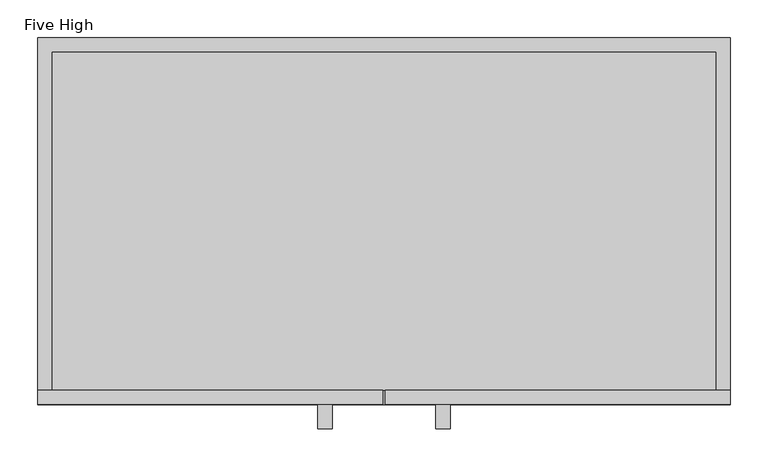
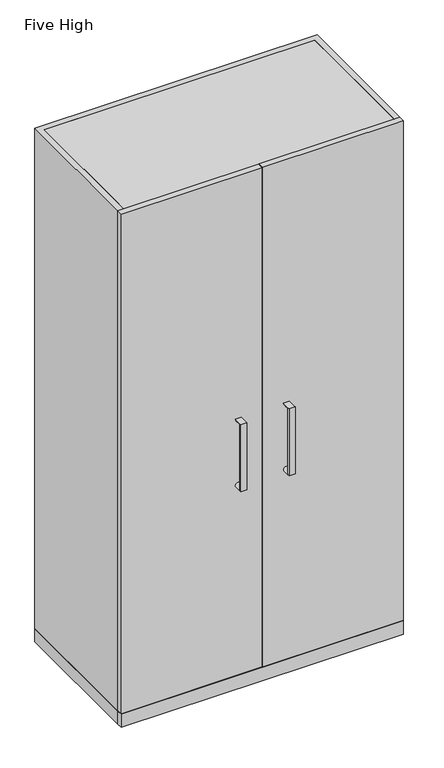
"""IFC4 building model written with IfcOpenShell, lengths in millimetres: furniture geometry, Five High."""

from ifc_helpers import new_model, si_unit, frame, origin, origin_with_axes, place, context, project, spatial, polyline, circle_curve, outline, extrude, source, transform, mapped, element, save
from ifc_brep_helpers import plane_surface, cylinder_surface, advanced_brep


def five_high_3fd35b40(model_context):
    return source(origin(), model_context, "Body", "SolidModel", [
        advanced_brep(
        [(166.6875, -482.6, 923.925), (147.6375, -482.6, 923.925), (166.6875, -508.0000121, 923.925), (147.6375, -508.0000121, 923.925), (166.6875, -482.6, 695.325), (147.6375, -482.6, 695.325), (147.6375, -508.0000121, 695.325), (166.6875, -508.0000121, 695.325), (147.6375, -514.3499879, 695.325), (166.6875, -514.3499879, 695.325), (166.6875, -514.3499879, 923.925), (147.6375, -514.3499879, 923.925)],
        [
            (0, 1, circle_curve(frame((157.1625, -482.6, 923.925), z_axis=(0.0, 1.0, 0.0), x_axis=(0.0, 0.0, -1.0)), 9.525)),
            (1, 0),
            (0, 2),
            (2, 3, circle_curve(frame((157.1625, -508.0000121, 923.925), z_axis=(0.0, 1.0, 0.0), x_axis=(0.0, 0.0, -1.0)), 9.525)),
            (3, 1),
            (4, 5),
            (5, 4, circle_curve(frame((157.1625, -482.6, 695.325), z_axis=(0.0, 1.0, 0.0), x_axis=(0.0, 0.0, 1.0)), 9.525)),
            (5, 6),
            (6, 7, circle_curve(frame((157.1625, -508.0000121, 695.325), z_axis=(0.0, 1.0, 0.0), x_axis=(0.0, 0.0, 1.0)), 9.525)),
            (7, 4),
            (8, 9),
            (9, 10),
            (10, 11),
            (11, 8),
            (6, 3),
            (2, 7),
            (11, 3),
            (6, 8),
            (10, 2),
            (9, 7),
        ],
        [
            plane_surface(frame((157.1625, -482.6, 914.4), z_axis=(0.0, 1.0, 0.0), x_axis=(1.0, 0.0, 0.0))),
            cylinder_surface(frame((157.1625, -482.6, 923.925), z_axis=(0.0, -1.0, 0.0), x_axis=(0.0, 0.0, -1.0)), 9.525),
            plane_surface(frame((147.6375, -482.6, 695.325), z_axis=(0.0, 1.0, 0.0), x_axis=(1.0, 0.0, 0.0))),
            cylinder_surface(frame((157.1625, -482.6, 695.325), z_axis=(0.0, -1.0, 0.0), x_axis=(0.0, 0.0, 1.0)), 9.525),
            plane_surface(frame((147.6375, -514.3499879, 1012.825), z_axis=(0.0, -1.0, 0.0), x_axis=(0.0, 0.0, 1.0))),
            plane_surface(frame((147.6375, -508.0000121, 1012.825), z_axis=(0.0, 1.0, 0.0), x_axis=(0.0, 0.0, -1.0))),
            plane_surface(frame((147.6375, -514.3499879, 695.325), z_axis=(-1.0, 0.0, 0.0), x_axis=(0.0, 1.0, 0.0))),
            plane_surface(frame((147.6375, -514.3499879, 923.925), z_axis=(0.0, 0.0, 1.0), x_axis=(0.0, 1.0, 0.0))),
            plane_surface(frame((166.6875, -514.3499879, 923.925), z_axis=(1.0, 0.0, 0.0), x_axis=(0.0, 1.0, 0.0))),
            plane_surface(frame((166.6875, -514.3499879, 695.325), z_axis=(0.0, 0.0, -1.0), x_axis=(0.0, 1.0, 0.0))),
        ],
        [
            (0, [[1, 2]]),
            (1, [[3, 4, 5, -1]]),
            (2, [[6, 7]]),
            (3, [[8, 9, 10, -7]]),
            (4, [[11, 12, 13, 14]]),
            (5, [[-9, 15, -4, 16]]),
            (6, [[17, -15, 18, -14]]),
            (7, [[19, -3, -2, -5, -17, -13]]),
            (8, [[20, -16, -19, -12]]),
            (9, [[-18, -8, -6, -10, -20, -11]]),
        ],
    ),
        extrude(outline(polyline([(80.9625, -482.6), (80.9625, -463.55), (534.9875, -463.55), (534.9875, -482.6), (80.9625, -482.6)])), frame((0.0, 0.0, 47.625), z_axis=(0.0, 0.0, 1.0), x_axis=(1.0, 0.0, 0.0)), (0.0, 0.0, 1.0), 1704.975),
        advanced_brep(
        [(-7.9375, -482.6, 923.925), (11.1125, -482.6, 923.925), (11.1125, -508.0000121, 923.925), (-7.9375, -508.0000121, 923.925), (-7.9375, -482.6, 695.325), (11.1125, -482.6, 695.325), (-7.9375, -508.0000121, 695.325), (11.1125, -508.0000121, 695.325), (11.1125, -514.3499879, 695.325), (11.1125, -514.3499879, 923.925), (-7.9375, -514.3499879, 923.925), (-7.9375, -514.3499879, 695.325)],
        [
            (0, 1),
            (1, 0, circle_curve(frame((1.5875, -482.6, 923.925), z_axis=(0.0, 1.0, 0.0), x_axis=(0.0, 0.0, -1.0)), 9.525)),
            (1, 2),
            (2, 3, circle_curve(frame((1.5875, -508.0000121, 923.925), z_axis=(0.0, 1.0, 0.0), x_axis=(0.0, 0.0, -1.0)), 9.525)),
            (3, 0),
            (4, 5, circle_curve(frame((1.5875, -482.6, 695.325), z_axis=(0.0, 1.0, 0.0), x_axis=(0.0, 0.0, 1.0)), 9.525)),
            (5, 4),
            (4, 6),
            (6, 7, circle_curve(frame((1.5875, -508.0000121, 695.325), z_axis=(0.0, 1.0, 0.0), x_axis=(0.0, 0.0, 1.0)), 9.525)),
            (7, 5),
            (8, 9),
            (9, 10),
            (10, 11),
            (11, 8),
            (6, 3),
            (2, 7),
            (8, 7),
            (2, 9),
            (3, 10),
            (6, 11),
        ],
        [
            plane_surface(frame((1.5875, -482.6, 914.4), z_axis=(0.0, 1.0, 0.0), x_axis=(-1.0, 0.0, 0.0))),
            cylinder_surface(frame((1.5875, -482.6, 923.925), z_axis=(0.0, -1.0, 0.0), x_axis=(0.0, 0.0, -1.0)), 9.525),
            plane_surface(frame((11.1125, -482.6, 695.325), z_axis=(0.0, 1.0, 0.0), x_axis=(-1.0, 0.0, 0.0))),
            cylinder_surface(frame((1.5875, -482.6, 695.325), z_axis=(0.0, -1.0, 0.0), x_axis=(0.0, 0.0, 1.0)), 9.525),
            plane_surface(frame((11.1125, -514.3499879, 1012.825), z_axis=(0.0, -1.0, 0.0), x_axis=(0.0, 0.0, 1.0))),
            plane_surface(frame((11.1125, -508.0000121, 1012.825), z_axis=(0.0, 1.0, 0.0), x_axis=(0.0, 0.0, -1.0))),
            plane_surface(frame((11.1125, -514.3499879, 695.325), z_axis=(1.0, 0.0, 0.0), x_axis=(0.0, 1.0, 0.0))),
            plane_surface(frame((11.1125, -514.3499879, 923.925), z_axis=(0.0, 0.0, 1.0), x_axis=(0.0, 1.0, 0.0))),
            plane_surface(frame((-7.9375, -514.3499879, 923.925), z_axis=(-1.0, 0.0, 0.0), x_axis=(0.0, 1.0, 0.0))),
            plane_surface(frame((-7.9375, -514.3499879, 695.325), z_axis=(0.0, 0.0, -1.0), x_axis=(0.0, 1.0, 0.0))),
        ],
        [
            (0, [[1, 2]]),
            (1, [[-2, 3, 4, 5]]),
            (2, [[6, 7]]),
            (3, [[-6, 8, 9, 10]]),
            (4, [[11, 12, 13, 14]]),
            (5, [[15, -4, 16, -9]]),
            (6, [[-11, 17, -16, 18]]),
            (7, [[-12, -18, -3, -1, -5, 19]]),
            (8, [[-13, -19, -15, 20]]),
            (9, [[-14, -20, -8, -7, -10, -17]]),
        ],
    ),
        extrude(outline(polyline([(77.7875, -482.6), (-376.2375, -482.6), (-376.2375, -463.55), (77.7875, -463.55), (77.7875, -482.6)])), frame((0.0, 0.0, 47.625), z_axis=(0.0, 0.0, 1.0), x_axis=(1.0, 0.0, 0.0)), (0.0, 0.0, 1.0), 1704.975),
        extrude(outline(polyline([(534.9875, -463.55), (534.9875, -482.6), (-376.2375, -482.6), (-376.2375, -463.55), (534.9875, -463.55)])), origin_with_axes(), (0.0, 0.0, 1.0), 44.45),
        extrude(outline(polyline([(534.9875, 0.0), (534.9875, -463.55), (-376.2375, -463.55), (-376.2375, 0.0), (534.9875, 0.0)])), origin_with_axes(), (0.0, 0.0, 1.0), 44.45),
        extrude(outline(polyline([(515.9375, -19.05), (515.9375, -463.55), (-357.1875, -463.55), (-357.1875, -19.05), (515.9375, -19.05)])), frame((0.0, 0.0, 1733.55), z_axis=(0.0, 0.0, 1.0), x_axis=(1.0, 0.0, 0.0)), (0.0, 0.0, 1.0), 19.05),
        extrude(outline(polyline([(534.9875, 0.0), (534.9875, -463.55), (515.9375, -463.55), (515.9375, -19.05), (-357.1875, -19.05), (-357.1875, -463.55), (-376.2375, -463.55), (-376.2375, 0.0), (534.9875, 0.0)])), frame((0.0, 0.0, 44.45), z_axis=(0.0, 0.0, 1.0), x_axis=(1.0, 0.0, 0.0)), (0.0, 0.0, 1.0), 1708.15),
    ])


if __name__ == "__main__":
    model = new_model("IFC4")
    model_context = context("Model", 3, world=origin())
    ifc_project = project(units=[si_unit("LENGTHUNIT", "METRE", prefix="MILLI")], contexts=[model_context])
    site = spatial("IfcSite", under=ifc_project)
    building = spatial("IfcBuilding", under=site)
    placement = place(None, origin())
    five_high_shape = five_high_3fd35b40(model_context)
    element("IfcFurniture", 1, ObjectType="Five High", at=placement, inside=building, context=model_context, shape_type="MappedRepresentation", body=[
        mapped(five_high_shape, transform((0.0, 0.0, 0.0), x_axis=(1.0, 0.0, 0.0), y_axis=(0.0, 1.0, 0.0), z_axis=(0.0, 0.0, 1.0))),
    ])
    save(model, "model.ifc")
